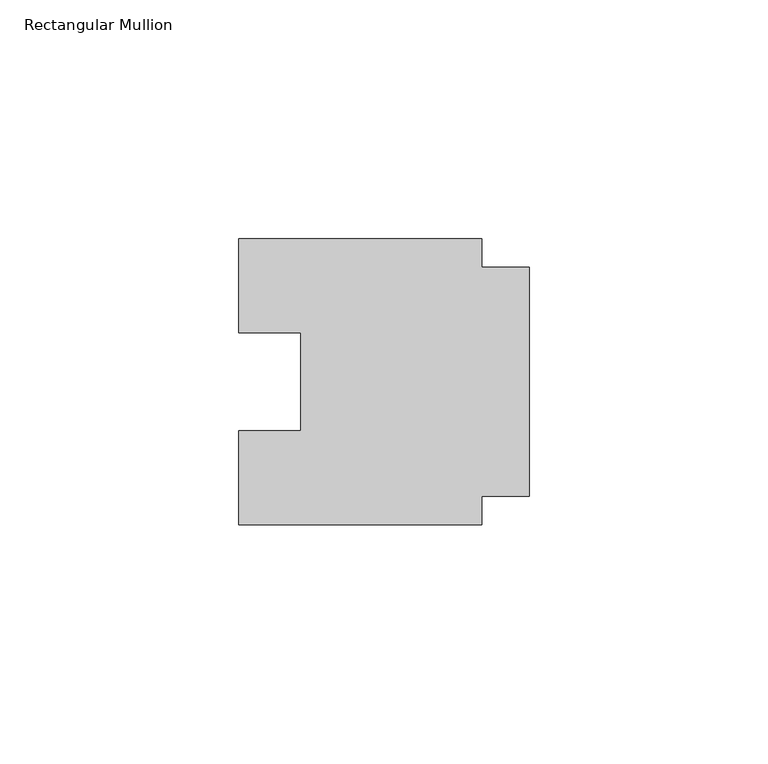
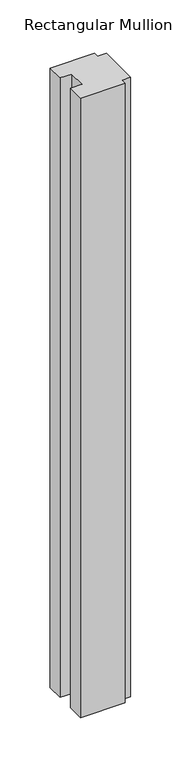
"""IFC4 building model written with IfcOpenShell, lengths in millimetres: member geometry, Rectangular Mullion."""

from ifc_helpers import new_model, si_unit, frame, origin, place, context, project, spatial, polyline, outline, extrude, source, transform, mapped, element, save


def rectangular_mullion_99c4d359(model_context):
    return source(origin(), model_context, "Body", "SweptSolid", [
        extrude(outline(polyline([(-10.0, -24.0), (-10.0, -30.0), (-61.0, -30.0), (-61.0, -10.25), (-48.0, -10.25), (-48.0, 10.25), (-61.0, 10.25), (-61.0, 30.0), (-10.0, 30.0), (-10.0, 24.0), (0.0, 24.0), (0.0, -24.0), (-10.0, -24.0)])), frame((0.0, 0.0, -750.0000003), z_axis=(0.0, 0.0, 1.0), x_axis=(1.0, 0.0, 0.0)), (0.0, 0.0, 1.0), 750.0000003),
    ])


if __name__ == "__main__":
    model = new_model("IFC4")
    model_context = context("Model", 3, world=origin())
    ifc_project = project(units=[si_unit("LENGTHUNIT", "METRE", prefix="MILLI")], contexts=[model_context])
    site = spatial("IfcSite", under=ifc_project)
    building = spatial("IfcBuilding", under=site)
    placement = place(None, origin())
    rectangular_mullion_shape = rectangular_mullion_99c4d359(model_context)
    element("IfcMember", 1, ObjectType="Rectangular Mullion", at=placement, inside=building, context=model_context, shape_type="MappedRepresentation", body=[
        mapped(rectangular_mullion_shape, transform((0.0, 0.0, 0.0), x_axis=(1.0, 0.0, 0.0), y_axis=(0.0, 1.0, 0.0), z_axis=(0.0, 0.0, 1.0))),
    ])
    save(model, "model.ifc")
